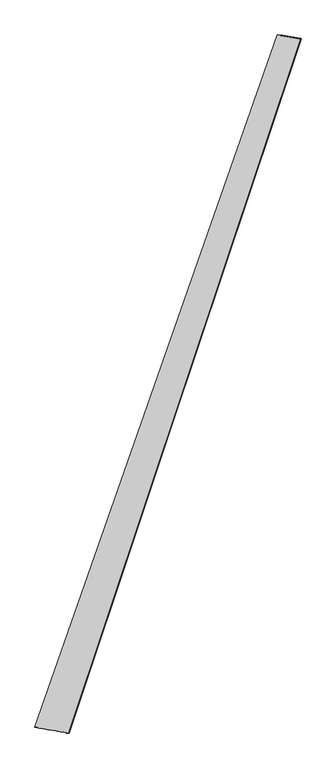
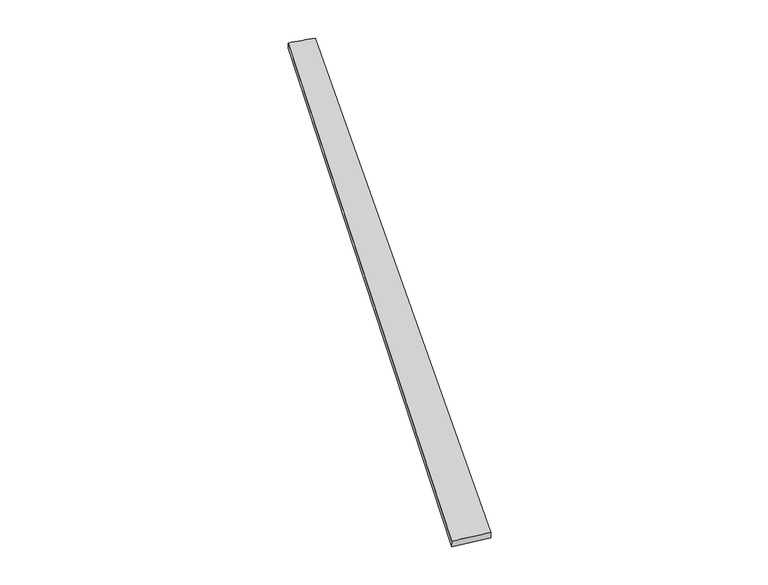
"""IFC4 building model written with IfcOpenShell, lengths in millimetres: proxy geometry."""

from ifc_helpers import new_model, si_unit, origin, place, context, project, spatial, source, transform, mapped, element, save
from ifc_brep_helpers import spline_surface, advanced_brep


def generic_models_f05deff1(model_context):
    return source(origin(), model_context, "Body", "AdvancedBrep", [
        advanced_brep(
        [(-681.958548, -1727.6283216, -1.5750115), (-682.3988466, -1727.5040947, 28.4215), (671.7602809, 2133.7976631, 32.3070635), (672.1237789, 2133.7003695, 2.3094235), (-492.5134768, -1758.9218015, 31.5706039), (804.3643262, 2112.2360948, 27.5788904), (-492.0625853, -1759.102561, 1.5745371), (801.8973545, 2113.0305131, -2.3089491)],
        [
            (0, 1),
            (1, 2),
            (2, 3),
            (3, 0),
            (1, 4),
            (4, 5),
            (5, 2),
            (4, 6),
            (6, 7),
            (7, 5),
            (6, 0),
            (3, 7),
        ],
        [
            spline_surface(1, 1, [[(-681.958548, -1727.6283216, -1.5750115), (672.1237789, 2133.7003695, 2.3094235)], [(-682.3988466, -1727.5040947, 28.4215), (671.7602809, 2133.7976631, 32.3070635)]], [2, 2], [2, 2], [0.0, 1.0], [0.0, 1.0]),
            spline_surface(1, 1, [[(-682.3988466, -1727.5040947, 28.4215), (671.7602809, 2133.7976631, 32.3070635)], [(-492.5134768, -1758.9218015, 31.5706039), (804.3643262, 2112.2360948, 27.5788904)]], [2, 2], [2, 2], [0.0, 1.0], [0.0, 1.0]),
            spline_surface(1, 1, [[(-492.5134768, -1758.9218015, 31.5706039), (804.3643262, 2112.2360948, 27.5788904)], [(-492.0625853, -1759.102561, 1.5745371), (801.8973545, 2113.0305131, -2.3089491)]], [2, 2], [2, 2], [0.0, 1.0], [0.0, 1.0]),
            spline_surface(1, 1, [[(-492.0625853, -1759.102561, 1.5745371), (801.8973545, 2113.0305131, -2.3089491)], [(-681.958548, -1727.6283216, -1.5750115), (672.1237789, 2133.7003695, 2.3094235)]], [2, 2], [2, 2], [0.0, 1.0], [0.0, 1.0]),
            spline_surface(1, 1, [[(671.7602809, 2133.7976631, 32.3070635), (672.1237789, 2133.7003695, 2.3094235)], [(804.3643262, 2112.2360948, 27.5788904), (801.8973545, 2113.0305131, -2.3089491)]], [2, 2], [2, 2], [0.0, 1.0], [0.0, 1.0]),
            spline_surface(1, 1, [[(-492.0625853, -1759.102561, 1.5745371), (-681.958548, -1727.6283216, -1.5750115)], [(-492.5134768, -1758.9218015, 31.5706039), (-682.3988466, -1727.5040947, 28.4215)]], [2, 2], [2, 2], [0.0, 1.0], [0.0, 1.0]),
        ],
        [
            (0, [[1, 2, 3, 4]]),
            (1, [[5, 6, 7, -2]]),
            (2, [[8, 9, 10, -6]]),
            (3, [[11, -4, 12, -9]]),
            (4, [[-3, -7, -10, -12]]),
            (5, [[-11, -8, -5, -1]]),
        ],
    ),
    ])


if __name__ == "__main__":
    model = new_model("IFC4")
    model_context = context("Model", 3, world=origin())
    ifc_project = project(units=[si_unit("LENGTHUNIT", "METRE", prefix="MILLI")], contexts=[model_context])
    site = spatial("IfcSite", under=ifc_project)
    building = spatial("IfcBuilding", under=site)
    placement = place(None, origin())
    generic_models_shape = generic_models_f05deff1(model_context)
    element("IfcBuildingElementProxy", 1, Name="Generic Models", at=placement, inside=building, context=model_context, shape_type="MappedRepresentation", body=[
        mapped(generic_models_shape, transform((0.0, 0.0, 0.0), x_axis=(1.0, 0.0, 0.0), y_axis=(0.0, 1.0, 0.0), z_axis=(0.0, 0.0, 1.0))),
    ])
    save(model, "model.ifc")
